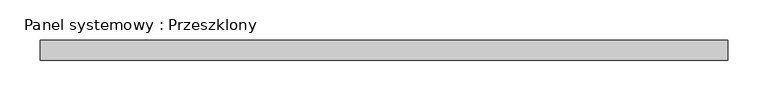
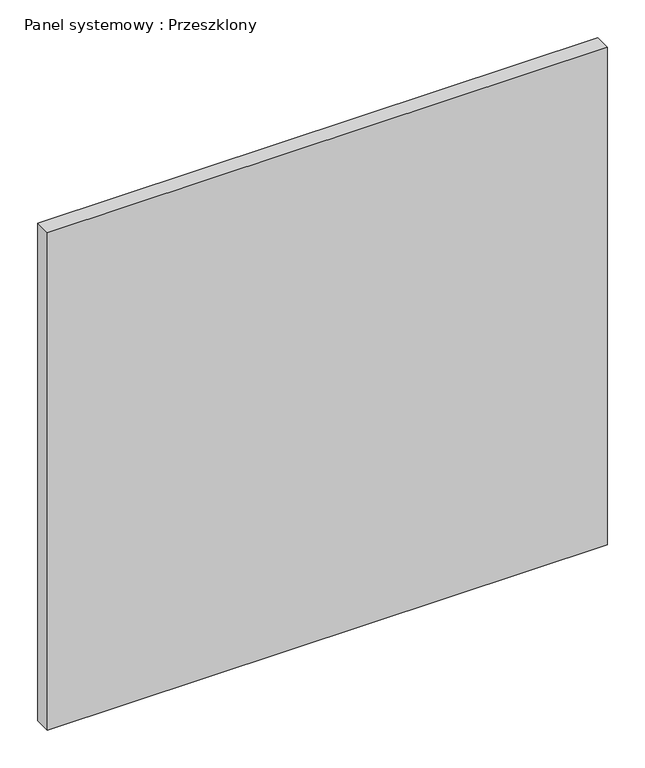
"""IFC4 building model written with IfcOpenShell, lengths in millimetres: plate geometry, Panel systemowy : Przeszklony."""

from ifc_helpers import new_model, si_unit, origin, origin_with_axes, place, context, project, spatial, polyline, outline, extrude, source, transform, mapped, element, save


def panel_systemowy_przeszklony_a9272b7e(model_context):
    return source(origin(), model_context, "Body", "SweptSolid", [
        extrude(outline(polyline([(427.5, -12.5), (-427.5, -12.5), (-427.5, 12.5), (427.5, 12.5), (427.5, -12.5)])), origin_with_axes(), (0.0, 0.0, 1.0), 803.3333333),
    ])


if __name__ == "__main__":
    model = new_model("IFC4")
    model_context = context("Model", 3, world=origin())
    ifc_project = project(units=[si_unit("LENGTHUNIT", "METRE", prefix="MILLI")], contexts=[model_context])
    site = spatial("IfcSite", under=ifc_project)
    building = spatial("IfcBuilding", under=site)
    placement = place(None, origin())
    panel_systemowy_przeszklony_shape = panel_systemowy_przeszklony_a9272b7e(model_context)
    element("IfcPlate", 1, ObjectType="Panel systemowy : Przeszklony", at=placement, inside=building, context=model_context, shape_type="MappedRepresentation", body=[
        mapped(panel_systemowy_przeszklony_shape, transform((0.0, 0.0, 0.0), x_axis=(1.0, 0.0, 0.0), y_axis=(0.0, 1.0, 0.0), z_axis=(0.0, 0.0, 1.0))),
    ])
    save(model, "model.ifc")
